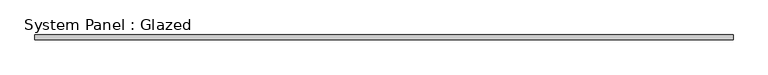
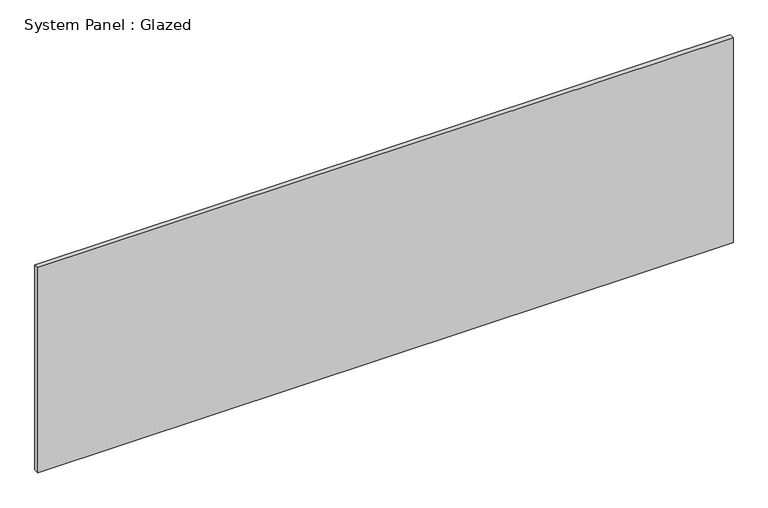
"""IFC4 building model written with IfcOpenShell, lengths in millimetres: plate geometry, System Panel : Glazed."""

from ifc_helpers import new_model, si_unit, origin, origin_with_axes, place, context, project, spatial, polyline, outline, extrude, source, transform, mapped, element, save


def system_panel_glazed_1ad48065(model_context):
    return source(origin(), model_context, "Body", "SweptSolid", [
        extrude(outline(polyline([(1800.6631044, 19.05), (-1800.6631044, 19.05), (-1800.6631044, 44.45), (1800.6631044, 44.45), (1800.6631044, 19.05)])), origin_with_axes(), (0.0, 0.0, 1.0), 1123.95),
    ])


if __name__ == "__main__":
    model = new_model("IFC4")
    model_context = context("Model", 3, world=origin())
    ifc_project = project(units=[si_unit("LENGTHUNIT", "METRE", prefix="MILLI")], contexts=[model_context])
    site = spatial("IfcSite", under=ifc_project)
    building = spatial("IfcBuilding", under=site)
    placement = place(None, origin())
    system_panel_glazed_shape = system_panel_glazed_1ad48065(model_context)
    element("IfcPlate", 1, ObjectType="System Panel : Glazed", at=placement, inside=building, context=model_context, shape_type="MappedRepresentation", body=[
        mapped(system_panel_glazed_shape, transform((0.0, 0.0, 0.0), x_axis=(1.0, 0.0, 0.0), y_axis=(0.0, 1.0, 0.0), z_axis=(0.0, 0.0, 1.0))),
    ])
    save(model, "model.ifc")
